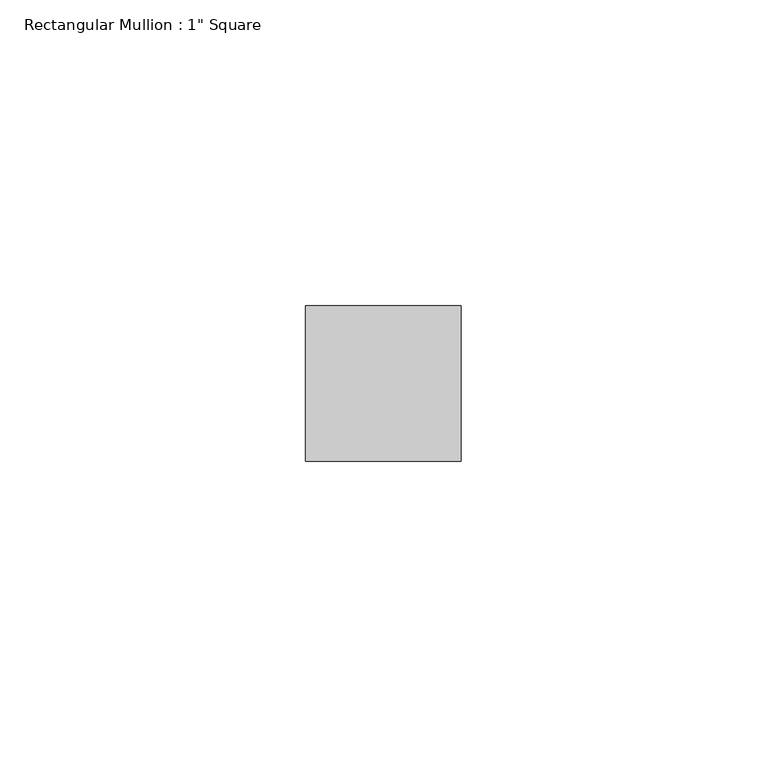
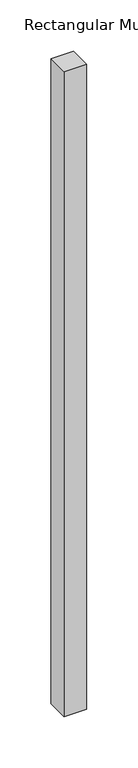
"""IFC4 building model written with IfcOpenShell, lengths in millimetres: member geometry."""

from ifc_helpers import new_model, si_unit, frame, origin, place, context, project, spatial, polyline, outline, extrude, source, transform, mapped, element, save


def member_0ba2dbff(model_context):
    return source(origin(), model_context, "Body", "SweptSolid", [
        extrude(outline(polyline([(0.0, 12.7), (0.0, -12.7), (-25.4, -12.7), (-25.4, 12.7), (0.0, 12.7)])), frame((0.0, 0.0, -766.6666667), z_axis=(0.0, 0.0, 1.0), x_axis=(1.0, 0.0, 0.0)), (0.0, 0.0, 1.0), 766.6666667),
    ])


if __name__ == "__main__":
    model = new_model("IFC4")
    model_context = context("Model", 3, world=origin())
    ifc_project = project(units=[si_unit("LENGTHUNIT", "METRE", prefix="MILLI")], contexts=[model_context])
    site = spatial("IfcSite", under=ifc_project)
    building = spatial("IfcBuilding", under=site)
    placement = place(None, origin())
    member_shape = member_0ba2dbff(model_context)
    element("IfcMember", 1, ObjectType="Rectangular Mullion : 1\" Square", at=placement, inside=building, context=model_context, shape_type="MappedRepresentation", body=[
        mapped(member_shape, transform((0.0, 0.0, 0.0), x_axis=(1.0, 0.0, 0.0), y_axis=(0.0, 1.0, 0.0), z_axis=(0.0, 0.0, 1.0))),
    ])
    save(model, "model.ifc")
